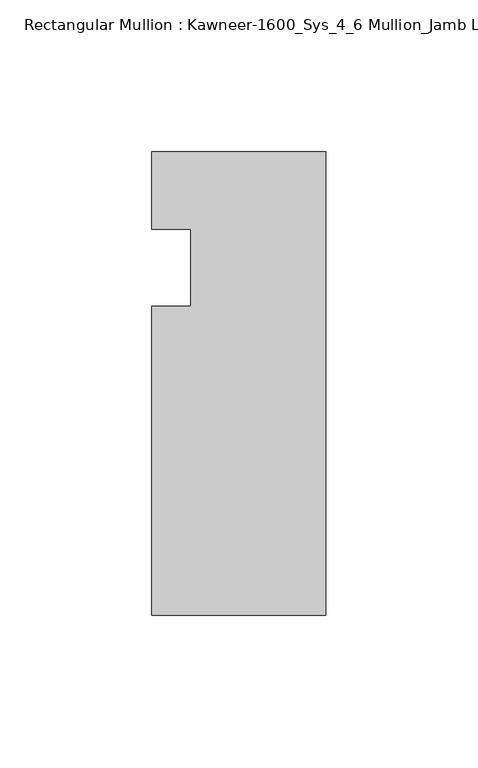
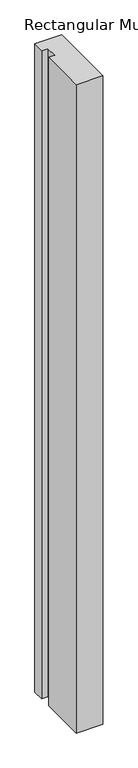
"""IFC4 building model written with IfcOpenShell, lengths in millimetres: member geometry, Rectangular Mullion : Kawneer-1600_Sys_4_6 Mullion_Jamb L."""

from ifc_helpers import new_model, si_unit, frame, origin, place, context, project, spatial, polyline, outline, extrude, source, transform, mapped, element, save


def rectangular_mullion_kawneer_1600_sys_4_6_mullion_jamb_l_706db732(model_context):
    return source(origin(), model_context, "Body", "SweptSolid", [
        extrude(outline(polyline([(-57.15, -114.3), (-57.15, -12.7), (-44.4482296, -12.7), (-44.4482296, 12.7), (-57.15, 12.7), (-57.15, 38.1), (0.0, 38.1), (0.0, -114.3), (-57.15, -114.3)])), frame((0.0, 0.0, -1463.04), z_axis=(0.0, 0.0, 1.0), x_axis=(1.0, 0.0, 0.0)), (0.0, 0.0, 1.0), 1463.04),
    ])


if __name__ == "__main__":
    model = new_model("IFC4")
    model_context = context("Model", 3, world=origin())
    ifc_project = project(units=[si_unit("LENGTHUNIT", "METRE", prefix="MILLI")], contexts=[model_context])
    site = spatial("IfcSite", under=ifc_project)
    building = spatial("IfcBuilding", under=site)
    placement = place(None, origin())
    rectangular_mullion_kawneer_1600_sys_4_6_mullion_jamb_l_shape = rectangular_mullion_kawneer_1600_sys_4_6_mullion_jamb_l_706db732(model_context)
    element("IfcMember", 1, ObjectType="Rectangular Mullion : Kawneer-1600_Sys_4_6 Mullion_Jamb L", at=placement, inside=building, context=model_context, shape_type="MappedRepresentation", body=[
        mapped(rectangular_mullion_kawneer_1600_sys_4_6_mullion_jamb_l_shape, transform((0.0, 0.0, 0.0), x_axis=(1.0, 0.0, 0.0), y_axis=(0.0, 1.0, 0.0), z_axis=(0.0, 0.0, 1.0))),
    ])
    save(model, "model.ifc")
